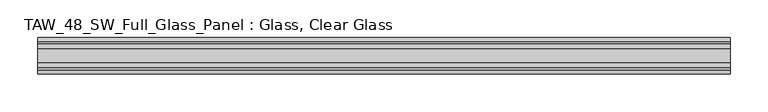
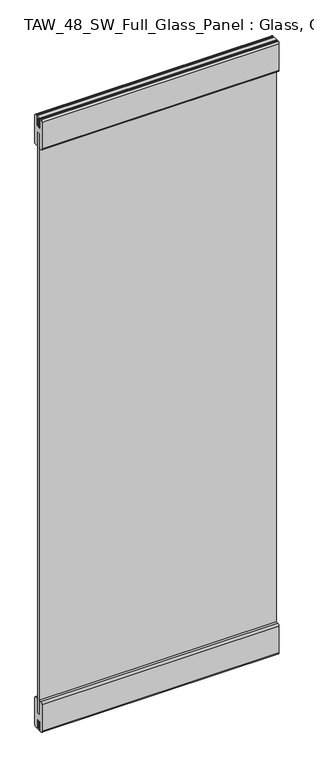
"""IFC4 building model written with IfcOpenShell, lengths in millimetres: plate geometry, TAW_48_SW_Full_Glass_Panel : Glass, Clear Glass."""

from ifc_helpers import new_model, si_unit, point, frame, frame_2d, origin, place, context, project, spatial, polyline, circle_curve, trimmed, segment, composite_curve, outline, extrude, source, transform, mapped, element, save


def taw_48_sw_full_glass_panel_glass_clear_glass_7f5c4b1f(model_context):
    return source(origin(), model_context, "Body", "SweptSolid", [
        extrude(outline(polyline([(458.2233047, 5.0), (458.2233047, -5.0), (-458.2233047, -5.0), (-458.2233047, 5.0), (458.2233047, 5.0)])), frame((0.0, 0.0, 65.5028724), z_axis=(0.0, 0.0, 1.0), x_axis=(1.0, 0.0, 0.0)), (0.0, 0.0, 1.0), 2369.1638255),
        extrude(outline(composite_curve([segment(polyline([(6.0, 123.0), (16.7, 123.0)]), True, "CONTINUOUS"), segment(trimmed(circle_curve(frame_2d((16.7, 115.7)), 7.3), [point((16.7, 123.0))], [point((24.0, 115.7))], False, "CARTESIAN"), True, "CONTINUOUS"), segment(polyline([(24.0, 115.7), (24.0, 7.2006944)]), True, "CONTINUOUS"), segment(trimmed(circle_curve(frame_2d((16.7, 7.2006944)), 7.3), [point((24.0, 7.2006944))], [point((17.9, 0.0))], False, "CARTESIAN"), True, "CONTINUOUS"), segment(polyline([(17.9, 0.0), (15.5529859, 0.0), (15.5529859, 2.1027745), (10.0, 2.1027745), (10.0, 38.0), (-10.0, 38.0), (-10.0, 2.1027745), (-15.0493747, 2.1027745), (-15.0493747, 0.0), (-18.4598098, 0.0)]), True, "CONTINUOUS"), segment(trimmed(circle_curve(frame_2d((-16.55, 7.2010504)), 7.45), [point((-18.4598098, 0.0))], [point((-24.0, 7.2010504))], False, "CARTESIAN"), True, "CONTINUOUS"), segment(polyline([(-24.0, 7.2010504), (-24.0, 115.55)]), True, "CONTINUOUS"), segment(trimmed(circle_curve(frame_2d((-16.55, 115.55)), 7.45), [point((-24.0, 115.55))], [point((-16.55, 123.0))], False, "CARTESIAN"), True, "CONTINUOUS"), segment(polyline([(-16.55, 123.0), (-6.0, 123.0), (-6.0, 121.4010504), (-9.5, 121.4010504), (-9.5, 65.5028724), (9.5, 65.5028724), (9.5, 121.2506944), (6.0, 121.2506944), (6.0, 123.0)]), True, "CONTINUOUS")], self_intersect=False)), frame((-458.2233047, 0.0, 0.0), z_axis=(1.0, 0.0, 0.0), x_axis=(0.0, 1.0, 0.0)), (0.0, 0.0, 1.0), 916.4466094),
        extrude(outline(polyline([(9.0, 2500.0), (9.0, 2461.2139286), (5.0, 2461.2139286), (5.0, 2496.0), (-5.0, 2496.0), (-5.0, 2461.2139286), (-9.0, 2461.2139286), (-9.0, 2500.0), (9.0, 2500.0)])), frame((-458.2233047, 0.0, 0.0), z_axis=(1.0, 0.0, 0.0), x_axis=(0.0, 1.0, 0.0)), (0.0, 0.0, 1.0), 916.4466094),
        extrude(outline(polyline([(-9.0, 0.0), (-9.0, 38.0), (-5.0, 38.0), (-5.0, 4.0), (5.0, 4.0), (5.0, 38.0), (9.0, 38.0), (9.0, 0.0), (-9.0, 0.0)])), frame((-458.2233047, 0.0, 0.0), z_axis=(1.0, 0.0, 0.0), x_axis=(0.0, 1.0, 0.0)), (0.0, 0.0, 1.0), 916.4466094),
        extrude(outline(composite_curve([segment(polyline([(-6.0, 2377.0), (-16.7, 2377.0)]), True, "CONTINUOUS"), segment(trimmed(circle_curve(frame_2d((-16.7, 2384.3)), 7.3), [point((-16.7, 2377.0))], [point((-24.0, 2384.3))], False, "CARTESIAN"), True, "CONTINUOUS"), segment(polyline([(-24.0, 2384.3), (-24.0, 2492.9688758)]), True, "CONTINUOUS"), segment(trimmed(circle_curve(frame_2d((-16.7, 2492.9688758)), 7.3), [point((-24.0, 2492.9688758))], [point((-18.6629804, 2500.0))], False, "CARTESIAN"), True, "CONTINUOUS"), segment(polyline([(-18.6629804, 2500.0), (-16.0197946, 2500.0), (-16.0197946, 2498.0667957), (-9.5, 2498.0667957), (-9.5, 2461.0667957), (9.5, 2461.0667957), (9.5, 2498.0667957), (16.0197946, 2498.0667957), (16.0197946, 2500.0), (18.6629804, 2500.0)]), True, "CONTINUOUS"), segment(trimmed(circle_curve(frame_2d((16.7, 2492.9688758)), 7.3), [point((18.6629804, 2500.0))], [point((24.0, 2492.9688758))], False, "CARTESIAN"), True, "CONTINUOUS"), segment(polyline([(24.0, 2492.9688758), (24.0, 2384.3)]), True, "CONTINUOUS"), segment(trimmed(circle_curve(frame_2d((16.7, 2384.3)), 7.3), [point((24.0, 2384.3))], [point((16.7, 2377.0))], False, "CARTESIAN"), True, "CONTINUOUS"), segment(polyline([(16.7, 2377.0), (6.0, 2377.0), (6.0, 2378.9188758), (9.5, 2378.9188758), (9.5, 2434.6666978), (-9.5, 2434.6666978), (-9.5, 2378.9188758), (-6.0, 2378.9188758), (-6.0, 2377.0)]), True, "CONTINUOUS")], self_intersect=False)), frame((-458.2233047, 0.0, 0.0), z_axis=(1.0, 0.0, 0.0), x_axis=(0.0, 1.0, 0.0)), (0.0, 0.0, 1.0), 916.4466094),
    ])


if __name__ == "__main__":
    model = new_model("IFC4")
    model_context = context("Model", 3, world=origin())
    ifc_project = project(units=[si_unit("LENGTHUNIT", "METRE", prefix="MILLI")], contexts=[model_context])
    site = spatial("IfcSite", under=ifc_project)
    building = spatial("IfcBuilding", under=site)
    placement = place(None, origin())
    taw_48_sw_full_glass_panel_glass_clear_glass_shape = taw_48_sw_full_glass_panel_glass_clear_glass_7f5c4b1f(model_context)
    element("IfcPlate", 1, ObjectType="TAW_48_SW_Full_Glass_Panel : Glass, Clear Glass", at=placement, inside=building, context=model_context, shape_type="MappedRepresentation", body=[
        mapped(taw_48_sw_full_glass_panel_glass_clear_glass_shape, transform((0.0, 0.0, 0.0), x_axis=(1.0, 0.0, 0.0), y_axis=(0.0, 1.0, 0.0), z_axis=(0.0, 0.0, 1.0))),
    ])
    save(model, "model.ifc")
